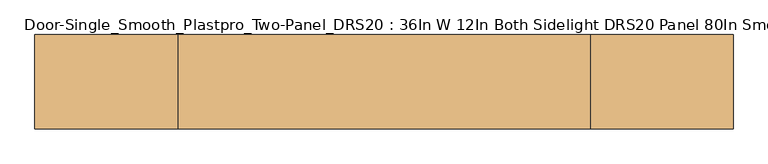
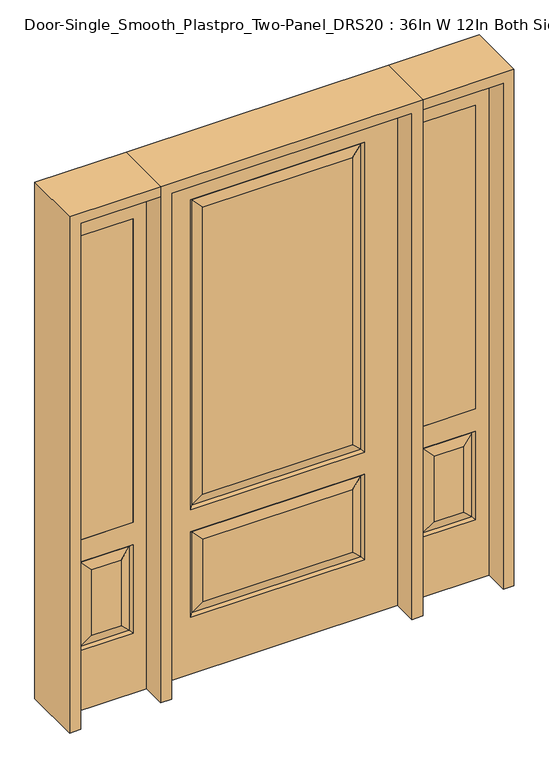
"""IFC4 building model written with IfcOpenShell, lengths in millimetres: door geometry, Door-Single_Smooth_Plastpro_Two-Panel_DRS20 : 36In W 12In Both Sidelight DRS20 Panel 80In Smooth."""

from ifc_helpers import new_model, si_unit, frame, origin, place, context, project, spatial, polyline, outline, extrude, faceted_brep, source, transform, mapped, element, save


def door_single_smooth_plastpro_two_panel_drs20_36in_w_12in_both_5288a4cc(model_context):
    return source(origin(), model_context, "Body", "SolidModel", [
        extrude(outline(polyline([(549.275, -20.6375), (549.275, 20.6375), (752.475, 20.6375), (752.475, -20.6375), (549.275, -20.6375)])), frame((0.0, 0.0, 685.8), z_axis=(0.0, 0.0, 1.0), x_axis=(1.0, 0.0, 0.0)), (0.0, 0.0, 1.0), 1219.2),
        faceted_brep([(803.275, -20.6375, 0.0), (803.275, -20.6375, 2032.0), (498.475, -20.6375, 2032.0), (498.475, -20.6375, 0.0), (549.275, -20.6375, 685.8), (549.275, -20.6375, 1905.0), (752.475, -20.6375, 1905.0), (752.475, -20.6375, 685.8), (549.275, -20.6375, 241.3), (549.275, -20.6375, 596.9), (752.475, -20.6375, 596.9), (752.475, -20.6375, 241.3), (706.4375, -20.6375, 287.3375), (706.4375, -20.6375, 550.8625), (595.3125, -20.6375, 550.8625), (595.3125, -20.6375, 287.3375), (498.475, 20.6375, 0.0), (803.275, 20.6375, 0.0), (498.475, 20.6375, 2032.0), (803.275, 20.6375, 2032.0), (558.2552561, -11.6572439, 250.2802561), (743.4947439, -11.6572439, 250.2802561), (743.4947439, -11.6572439, 587.9197439), (558.2552561, -11.6572439, 587.9197439), (752.475, 20.6375, 685.8), (549.275, 20.6375, 685.8), (752.475, 20.6375, 1905.0), (549.275, 20.6375, 1905.0), (752.475, 20.6375, 241.3), (752.475, 20.6375, 596.9), (549.275, 20.6375, 596.9), (549.275, 20.6375, 241.3), (595.3125, 20.6375, 287.3375), (595.3125, 20.6375, 550.8625), (706.4375, 20.6375, 550.8625), (706.4375, 20.6375, 287.3375), (558.2552561, 11.6572439, 250.2802561), (743.4947439, 11.6572439, 250.2802561), (558.2552561, 11.6572439, 587.9197439), (743.4947439, 11.6572439, 587.9197439)], [[[0, 1, 2, 3], [4, 5, 6, 7], [8, 9, 10, 11]], [[12, 13, 14, 15]], [[3, 16, 17, 0]], [[2, 18, 16, 3]], [[0, 17, 19, 1]], [[20, 8, 11, 21]], [[11, 10, 22, 21]], [[10, 9, 23, 22]], [[20, 23, 9, 8]], [[21, 12, 15, 20]], [[15, 14, 23, 20]], [[22, 23, 14, 13]], [[21, 22, 13, 12]], [[4, 7, 24, 25]], [[7, 6, 26, 24]], [[25, 27, 5, 4]], [[17, 16, 18, 19], [24, 26, 27, 25], [28, 29, 30, 31]], [[32, 33, 34, 35]], [[28, 31, 36, 37]], [[31, 30, 38, 36]], [[39, 38, 30, 29]], [[37, 39, 29, 28]], [[36, 32, 35, 37]], [[35, 34, 39, 37]], [[34, 33, 38, 39]], [[36, 38, 33, 32]], [[1, 19, 18, 2]], [[27, 26, 6, 5]]]),
        extrude(outline(polyline([(-549.275, -20.6375), (-752.475, -20.6375), (-752.475, 20.6375), (-549.275, 20.6375), (-549.275, -20.6375)])), frame((0.0, 0.0, 685.8), z_axis=(0.0, 0.0, 1.0), x_axis=(1.0, 0.0, 0.0)), (0.0, 0.0, 1.0), 1219.2),
        faceted_brep([(-803.275, -20.6375, 0.0), (-498.475, -20.6375, 0.0), (-498.475, -20.6375, 2032.0), (-803.275, -20.6375, 2032.0), (-549.275, -20.6375, 685.8), (-752.475, -20.6375, 685.8), (-752.475, -20.6375, 1905.0), (-549.275, -20.6375, 1905.0), (-549.275, -20.6375, 241.3), (-752.475, -20.6375, 241.3), (-752.475, -20.6375, 596.9), (-549.275, -20.6375, 596.9), (-706.4375, -20.6375, 287.3375), (-595.3125, -20.6375, 287.3375), (-595.3125, -20.6375, 550.8625), (-706.4375, -20.6375, 550.8625), (-803.275, 20.6375, 0.0), (-498.475, 20.6375, 0.0), (-498.475, 20.6375, 2032.0), (-803.275, 20.6375, 2032.0), (-558.2552561, -11.6572439, 250.2802561), (-743.4947439, -11.6572439, 250.2802561), (-743.4947439, -11.6572439, 587.9197439), (-558.2552561, -11.6572439, 587.9197439), (-549.275, 20.6375, 685.8), (-752.475, 20.6375, 685.8), (-752.475, 20.6375, 1905.0), (-549.275, 20.6375, 1905.0), (-752.475, 20.6375, 241.3), (-549.275, 20.6375, 241.3), (-549.275, 20.6375, 596.9), (-752.475, 20.6375, 596.9), (-595.3125, 20.6375, 287.3375), (-706.4375, 20.6375, 287.3375), (-706.4375, 20.6375, 550.8625), (-595.3125, 20.6375, 550.8625), (-743.4947439, 11.6572439, 250.2802561), (-558.2552561, 11.6572439, 250.2802561), (-558.2552561, 11.6572439, 587.9197439), (-743.4947439, 11.6572439, 587.9197439)], [[[0, 1, 2, 3], [4, 5, 6, 7], [8, 9, 10, 11]], [[12, 13, 14, 15]], [[1, 0, 16, 17]], [[2, 1, 17, 18]], [[0, 3, 19, 16]], [[20, 21, 9, 8]], [[9, 21, 22, 10]], [[10, 22, 23, 11]], [[20, 8, 11, 23]], [[21, 20, 13, 12]], [[13, 20, 23, 14]], [[22, 15, 14, 23]], [[21, 12, 15, 22]], [[4, 24, 25, 5]], [[5, 25, 26, 6]], [[24, 4, 7, 27]], [[16, 19, 18, 17], [25, 24, 27, 26], [28, 29, 30, 31]], [[32, 33, 34, 35]], [[28, 36, 37, 29]], [[29, 37, 38, 30]], [[39, 31, 30, 38]], [[36, 28, 31, 39]], [[37, 36, 33, 32]], [[33, 36, 39, 34]], [[34, 39, 38, 35]], [[37, 32, 35, 38]], [[3, 2, 18, 19]], [[27, 7, 6, 26]]]),
        faceted_brep([(-321.2197439, -11.6572439, 237.5802561), (-284.1625, -20.6375, 274.6375), (-284.1625, -20.6375, 525.4625), (-321.2197439, -11.6572439, 562.5197439), (-330.2, 20.6375, 228.6), (-321.2197439, 11.6572439, 237.5802561), (321.2197439, 11.6572439, 237.5802561), (330.2, 20.6375, 228.6), (-330.2, 20.6375, 571.5), (-321.2197439, 11.6572439, 562.5197439), (321.2197439, 11.6572439, 562.5197439), (330.2, 20.6375, 571.5), (457.2, 20.6375, 2032.0), (-457.2, 20.6375, 2032.0), (-457.2, -20.6375, 2032.0), (457.2, -20.6375, 2032.0), (457.2, 20.6375, 0.0), (457.2, -20.6375, 0.0), (-457.2, -20.6375, 0.0), (-457.2, 20.6375, 0.0), (284.1625, -20.6375, 274.6375), (284.1625, -20.6375, 525.4625), (-284.1625, -20.6375, 706.4375), (284.1625, -20.6375, 706.4375), (284.1625, -20.6375, 1858.9625), (-284.1625, -20.6375, 1858.9625), (330.2, -20.6375, 660.4), (-330.2, -20.6375, 660.4), (-330.2, -20.6375, 1905.0), (330.2, -20.6375, 1905.0), (330.2, -20.6375, 228.6), (-330.2, -20.6375, 228.6), (-330.2, -20.6375, 571.5), (330.2, -20.6375, 571.5), (-284.1625, 20.6375, 1858.9625), (284.1625, 20.6375, 1858.9625), (284.1625, 20.6375, 706.4375), (-284.1625, 20.6375, 706.4375), (-284.1625, 20.6375, 525.4625), (284.1625, 20.6375, 525.4625), (284.1625, 20.6375, 274.6375), (-284.1625, 20.6375, 274.6375), (330.2, 20.6375, 1905.0), (-330.2, 20.6375, 1905.0), (-330.2, 20.6375, 660.4), (330.2, 20.6375, 660.4), (-321.2197439, 11.6572439, 1896.0197439), (-321.2197439, 11.6572439, 669.3802561), (321.2197439, 11.6572439, 669.3802561), (321.2197439, 11.6572439, 1896.0197439), (321.2197439, -11.6572439, 669.3802561), (-321.2197439, -11.6572439, 669.3802561), (-321.2197439, -11.6572439, 1896.0197439), (321.2197439, -11.6572439, 1896.0197439), (321.2197439, -11.6572439, 237.5802561), (321.2197439, -11.6572439, 562.5197439)], [[[0, 1, 2, 3]], [[4, 5, 6, 7]], [[8, 9, 5, 4]], [[10, 9, 8, 11]], [[12, 13, 14, 15]], [[16, 17, 18, 19]], [[12, 15, 17, 16]], [[1, 20, 21, 2]], [[22, 23, 24, 25]], [[15, 14, 18, 17], [26, 27, 28, 29], [30, 31, 32, 33]], [[14, 13, 19, 18]], [[34, 35, 36, 37]], [[38, 39, 40, 41]], [[13, 12, 16, 19], [11, 8, 4, 7], [42, 43, 44, 45]], [[43, 46, 47, 44]], [[44, 47, 48, 45]], [[49, 42, 45, 48]], [[35, 49, 48, 36]], [[47, 37, 36, 48]], [[46, 34, 37, 47]], [[10, 11, 7, 6]], [[9, 10, 39, 38]], [[39, 10, 6, 40]], [[5, 41, 40, 6]], [[9, 38, 41, 5]], [[50, 51, 27, 26]], [[27, 51, 52, 28]], [[50, 26, 29, 53]], [[51, 50, 23, 22]], [[23, 50, 53, 24]], [[51, 22, 25, 52]], [[54, 0, 31, 30]], [[31, 0, 3, 32]], [[32, 3, 55, 33]], [[54, 30, 33, 55]], [[0, 54, 20, 1]], [[20, 54, 55, 21]], [[3, 2, 21, 55]], [[28, 52, 53, 29]], [[52, 25, 24, 53]], [[49, 46, 43, 42]], [[46, 49, 35, 34]]]),
        extrude(outline(polyline([(2032.0, -498.475), (2073.275, -498.475), (2073.275, -844.55), (0.0, -844.55), (0.0, -803.275), (2032.0, -803.275), (2032.0, -498.475)])), frame((0.0, -114.3, 0.0), z_axis=(0.0, 1.0, 0.0), x_axis=(0.0, 0.0, 1.0)), (0.0, 0.0, 1.0), 228.6),
        extrude(outline(polyline([(2073.275, -498.475), (0.0, -498.475), (0.0, -457.2), (2032.0, -457.2), (2032.0, 457.2), (0.0, 457.2), (0.0, 498.475), (2073.275, 498.475), (2073.275, -498.475)])), frame((0.0, -114.3, 0.0), z_axis=(0.0, 1.0, 0.0), x_axis=(0.0, 0.0, 1.0)), (0.0, 0.0, 1.0), 228.6),
        extrude(outline(polyline([(0.0, 803.275), (0.0, 844.55), (2073.275, 844.55), (2073.275, 498.475), (2032.0, 498.475), (2032.0, 803.275), (0.0, 803.275)])), frame((0.0, -114.3, 0.0), z_axis=(0.0, 1.0, 0.0), x_axis=(0.0, 0.0, 1.0)), (0.0, 0.0, 1.0), 228.6),
    ])


if __name__ == "__main__":
    model = new_model("IFC4")
    model_context = context("Model", 3, world=origin())
    ifc_project = project(units=[si_unit("LENGTHUNIT", "METRE", prefix="MILLI")], contexts=[model_context])
    site = spatial("IfcSite", under=ifc_project)
    building = spatial("IfcBuilding", under=site)
    placement = place(None, origin())
    door_single_smooth_plastpro_two_panel_drs20_36in_w_12in_both_shape = door_single_smooth_plastpro_two_panel_drs20_36in_w_12in_both_5288a4cc(model_context)
    element("IfcDoor", 1, ObjectType="Door-Single_Smooth_Plastpro_Two-Panel_DRS20 : 36In W 12In Both Sidelight DRS20 Panel 80In Smooth", at=placement, inside=building, context=model_context, shape_type="MappedRepresentation", body=[
        mapped(door_single_smooth_plastpro_two_panel_drs20_36in_w_12in_both_shape, transform((0.0, 0.0, 0.0), x_axis=(1.0, 0.0, 0.0), y_axis=(0.0, 1.0, 0.0), z_axis=(0.0, 0.0, 1.0))),
    ])
    save(model, "model.ifc")
